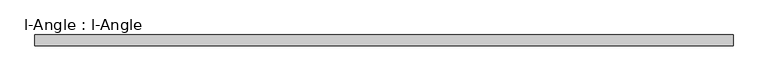
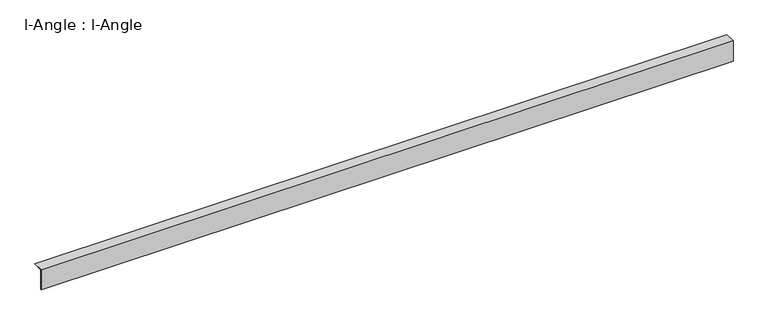
"""IFC4 building model written with IfcOpenShell, lengths in millimetres: proxy geometry, l-Angle : l-Angle."""

from ifc_helpers import new_model, si_unit, frame, origin, place, context, project, spatial, polyline, outline, extrude, source, transform, mapped, element, save


def l_angle_l_angle_9bdaa084(model_context):
    return source(origin(), model_context, "Body", "SweptSolid", [
        extrude(outline(polyline([(0.0, -100.0), (0.0, 0.0), (50.0, 0.0), (50.0, -1.9174464), (2.0, -1.9174464), (2.0, -100.0), (0.0, -100.0)])), frame((0.0, 0.0, 0.0), z_axis=(1.0, 0.0, 0.0), x_axis=(0.0, 1.0, 0.0)), (0.0, 0.0, 1.0), 3265.0),
    ])


if __name__ == "__main__":
    model = new_model("IFC4")
    model_context = context("Model", 3, world=origin())
    ifc_project = project(units=[si_unit("LENGTHUNIT", "METRE", prefix="MILLI")], contexts=[model_context])
    site = spatial("IfcSite", under=ifc_project)
    building = spatial("IfcBuilding", under=site)
    placement = place(None, origin())
    l_angle_l_angle_shape = l_angle_l_angle_9bdaa084(model_context)
    element("IfcBuildingElementProxy", 1, Name="l-Angle : l-Angle", ObjectType="l-Angle : l-Angle", at=placement, inside=building, context=model_context, shape_type="MappedRepresentation", body=[
        mapped(l_angle_l_angle_shape, transform((0.0, 0.0, 0.0), x_axis=(1.0, 0.0, 0.0), y_axis=(0.0, 1.0, 0.0), z_axis=(0.0, 0.0, 1.0))),
    ])
    save(model, "model.ifc")
